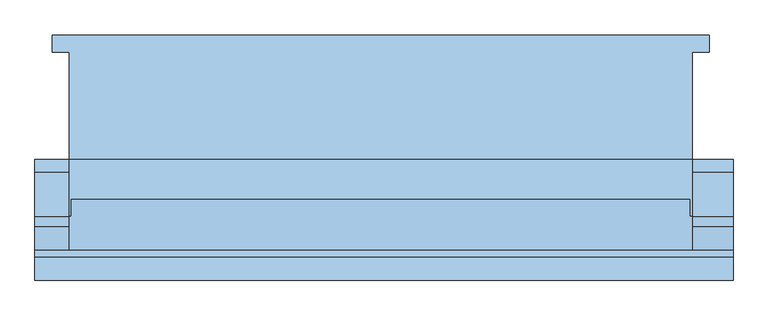
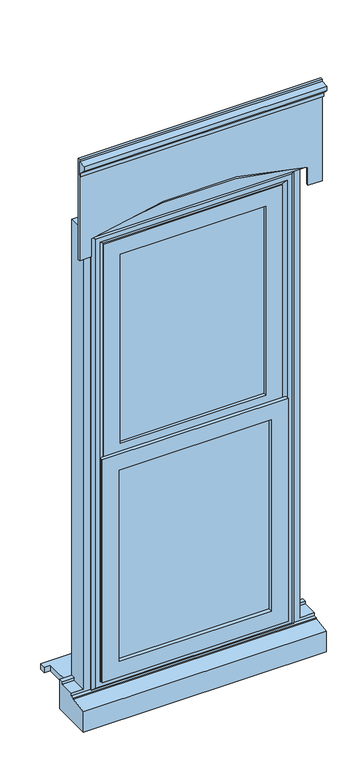
"""IFC4 building model written with IfcOpenShell, lengths in millimetres: window geometry."""

from ifc_helpers import new_model, si_unit, point, frame, frame_2d, origin, place, context, project, spatial, polyline, circle_curve, trimmed, segment, composite_curve, outline, extrude, faceted_brep, source, transform, mapped, element, save


def window_da0c3ed0(model_context):
    return source(origin(), model_context, "Body", "SolidModel", [
        extrude(outline(polyline([(-480.0, 161.5434322), (480.0, 161.5434322), (480.0, 136.5434322), (455.0, 136.5434322), (455.0, -20.4565678), (-455.0, -20.4565678), (-455.0, 136.5434322), (-480.0, 136.5434322), (-480.0, 161.5434322)])), frame((0.0, 0.0, 10.0), z_axis=(0.0, 0.0, 1.0), x_axis=(1.0, 0.0, 0.0)), (0.0, 0.0, 1.0), 25.0),
        faceted_brep([(-455.0, -20.4565678, 2110.0), (455.0, -20.4565678, 2110.0), (455.0, -20.4565678, 85.0), (515.0, -20.4565678, 85.0), (515.0, -20.4565678, -47.0), (-505.0, -20.4565678, -47.0), (-505.0, -20.4565678, 85.0), (-455.0, -20.4565678, 85.0), (-395.0, -20.4565678, 2050.0), (-395.0, -20.4565678, 85.0), (395.0, -20.4565678, 85.0), (395.0, -20.4565678, 2050.0), (-455.0, -38.4565678, 85.0), (-455.0, -38.4565678, 73.0), (-455.0, -103.4565678, 73.0), (-455.0, -103.4565678, 2110.0), (-505.0, -103.4565678, 73.0), (-505.0, -103.4565678, 61.0), (515.0, -103.4565678, 61.0), (515.0, -103.4565678, 73.0), (455.0, -103.4565678, 73.0), (455.0, -103.4565678, 2110.0), (-415.0, -103.4565678, 2070.0), (415.0, -103.4565678, 2070.0), (415.0, -103.4565678, 73.0), (-415.0, -103.4565678, 73.0), (-415.0, -38.4565678, 73.0), (-415.0, -38.4565678, 2070.0), (415.0, -38.4565678, 73.0), (415.0, -38.4565678, 2070.0), (-395.0, -38.4565678, 2050.0), (395.0, -38.4565678, 2050.0), (395.0, -38.4565678, 85.0), (-395.0, -38.4565678, 85.0), (-505.0, -38.4565678, 73.0), (-505.0, -38.4565678, 85.0), (515.0, -38.4565678, 85.0), (455.0, -38.4565678, 85.0), (455.0, -38.4565678, 73.0), (515.0, -38.4565678, 73.0), (515.0, -118.4565678, 59.68767), (515.0, -118.4565678, 54.7449676), (515.0, -190.9565678, 43.8088847), (515.0, -190.9565678, -47.0), (-505.0, -190.9565678, -47.0), (-505.0, -190.9565678, 43.8088847), (-505.0, -118.4565678, 54.7449676), (-505.0, -118.4565678, 59.68767)], [[[0, 1, 2, 3, 4, 5, 6, 7], [8, 9, 10, 11]], [[0, 7, 12, 13, 14, 15]], [[14, 16, 17, 18, 19, 20, 21, 15], [22, 23, 24, 25]], [[25, 26, 27, 22]], [[27, 26, 28, 29], [30, 31, 32, 33]], [[34, 13, 12, 35]], [[36, 37, 38, 39]], [[30, 33, 9, 8]], [[0, 15, 21, 1]], [[22, 27, 29, 23]], [[11, 31, 30, 8]], [[20, 38, 37, 2, 1, 21]], [[23, 29, 28, 24]], [[11, 10, 32, 31]], [[3, 36, 39, 19, 18, 40, 41, 42, 43, 4]], [[6, 5, 44, 45, 46, 47, 17, 16, 34, 35]], [[43, 44, 5, 4]], [[42, 45, 44, 43]], [[41, 46, 45, 42]], [[40, 47, 46, 41]], [[18, 17, 47, 40]], [[16, 14, 13, 34]], [[26, 25, 24, 28]], [[39, 38, 20, 19]], [[3, 2, 37, 36]], [[35, 12, 7, 6]], [[9, 33, 32, 10]]]),
        extrude(outline(polyline([(385.0, -67.4565678), (385.0, -91.4565678), (-385.0, -91.4565678), (-385.0, -67.4565678), (385.0, -67.4565678)])), frame((0.0, 0.0, 103.0), z_axis=(0.0, 0.0, 1.0), x_axis=(1.0, 0.0, 0.0)), (0.0, 0.0, 1.0), 1937.0),
        faceted_brep([(-425.0, -103.4565678, 2080.0), (-425.0, -103.4565678, 63.0), (-425.0, -111.7300705, 63.0), (-425.0, -111.7300705, 2080.0), (-415.0, -38.4565678, 2070.0), (-415.0, -38.4565678, 73.0), (-415.0, -103.4565678, 73.0), (-415.0, -103.4565678, 2070.0), (-375.0, -52.9494677, 2030.0), (-375.0, -52.9494677, 113.0), (-385.1480377, -38.4565678, 102.8519623), (-385.1480377, -38.4565678, 2040.1480377), (-375.0, -67.4565678, 2030.0), (-375.0, -67.4565678, 113.0), (-385.0, -91.4565678, 2040.0), (-385.0, -91.4565678, 103.0), (-385.0, -67.4565678, 103.0), (-385.0, -67.4565678, 2040.0), (-375.0, -109.2300705, 2030.0), (-375.0, -109.2300705, 113.0), (-375.0, -91.4565678, 113.0), (-375.0, -91.4565678, 2030.0), (-392.4457548, -120.0035732, 2047.4457548), (-392.4457548, -120.0035732, 95.5542452), (-414.2153903, -120.0035732, 73.7846097), (-414.2153903, -120.0035732, 2069.2153903), (425.0, -103.4565678, 63.0), (425.0, -111.7300705, 63.0), (415.0, -38.4565678, 73.0), (415.0, -103.4565678, 73.0), (375.0, -52.9494677, 113.0), (385.1480377, -38.4565678, 102.8519623), (375.0, -67.4565678, 113.0), (385.0, -91.4565678, 103.0), (385.0, -67.4565678, 103.0), (375.0, -109.2300705, 113.0), (375.0, -91.4565678, 113.0), (392.4457548, -120.0035732, 95.5542452), (414.2153903, -120.0035732, 73.7846097), (425.0, -103.4565678, 2080.0), (425.0, -111.7300705, 2080.0), (415.0, -38.4565678, 2070.0), (415.0, -103.4565678, 2070.0), (375.0, -52.9494677, 2030.0), (385.1480377, -38.4565678, 2040.1480377), (375.0, -67.4565678, 2030.0), (385.0, -91.4565678, 2040.0), (385.0, -67.4565678, 2040.0), (375.0, -109.2300705, 2030.0), (375.0, -91.4565678, 2030.0), (392.4457548, -120.0035732, 2047.4457548), (414.2153903, -120.0035732, 2069.2153903)], [[[0, 1, 2, 3]], [[4, 5, 6, 7]], [[8, 9, 10, 11]], [[12, 13, 9, 8]], [[14, 15, 16, 17]], [[18, 19, 20, 21]], [[22, 23, 19, 18]], [[3, 2, 24, 25]], [[1, 26, 27, 2]], [[5, 28, 29, 6]], [[9, 30, 31, 10]], [[13, 32, 30, 9]], [[15, 33, 34, 16]], [[19, 35, 36, 20]], [[23, 37, 35, 19]], [[2, 27, 38, 24]], [[26, 39, 40, 27]], [[28, 41, 42, 29]], [[30, 43, 44, 31]], [[32, 45, 43, 30]], [[33, 46, 47, 34]], [[35, 48, 49, 36]], [[37, 50, 48, 35]], [[27, 40, 51, 38]], [[39, 0, 3, 40]], [[1, 0, 39, 26], [7, 6, 29, 42]], [[41, 4, 7, 42]], [[5, 4, 41, 28], [11, 10, 31, 44]], [[43, 8, 11, 44]], [[45, 12, 8, 43]], [[17, 16, 34, 47], [13, 12, 45, 32]], [[46, 14, 17, 47]], [[15, 14, 46, 33], [21, 20, 36, 49]], [[48, 18, 21, 49]], [[50, 22, 18, 48]], [[25, 24, 38, 51], [23, 22, 50, 37]], [[40, 3, 25, 51]]]),
        extrude(outline(polyline([(1086.5, -390.0), (95.800695, -390.0), (95.800695, 390.0), (1086.5, 390.0), (1086.5, -390.0)]), holes=[polyline([(165.800695, -320.0), (1016.5, -320.0), (1016.5, 320.0), (165.800695, 320.0), (165.800695, -320.0)])]), frame((0.0, -130.9565678, 0.0), z_axis=(0.0, 1.0, 0.0), x_axis=(0.0, 0.0, 1.0)), (0.0, 0.0, 1.0), 15.9529946),
        extrude(outline(polyline([(-163.1390049, 2410.0), (-173.1390049, 2410.0), (-173.1390049, 2425.0), (-197.8877422, 2449.7487373), (-197.8877422, 2470.0), (-163.1390049, 2470.0), (-163.1390049, 2410.0)])), frame((-505.0, 0.0, 0.0), z_axis=(1.0, 0.0, 0.0), x_axis=(0.0, 1.0, 0.0)), (0.0, 0.0, 1.0), 1020.0),
        extrude(outline(composite_curve([segment(polyline([(2110.0, -455.0), (2110.0, 455.0)]), True, "CONTINUOUS"), segment(trimmed(circle_curve(frame_2d((380.6732354, 0.0)), 1788.1823338), [point((2110.0, 455.0))], [point((2110.0, -455.0))], False, "CARTESIAN"), True, "CONTINUOUS")], self_intersect=False)), frame((0.0, -159.6629421, 0.0), z_axis=(0.0, 1.0, 0.0), x_axis=(0.0, 0.0, 1.0)), (0.0, 0.0, 1.0), 80.3363325),
        extrude(outline(composite_curve([segment(polyline([(2030.0, 515.0), (2480.0, 515.0), (2480.0, -505.0), (2030.0, -505.0), (2030.0, -455.0), (2110.0, -455.0)]), True, "CONTINUOUS"), segment(trimmed(circle_curve(frame_2d((680.6732354, 0.0)), 1500.0), [point((2110.0, -455.0))], [point((2110.0, 455.0))], True, "CARTESIAN"), True, "CONTINUOUS"), segment(polyline([(2110.0, 455.0), (2030.0, 455.0), (2030.0, 515.0)]), True, "CONTINUOUS")], self_intersect=False)), frame((0.0, -163.1390049, 0.0), z_axis=(0.0, 1.0, 0.0), x_axis=(0.0, 0.0, 1.0)), (0.0, 0.0, 1.0), 9.682437),
        extrude(outline(polyline([(2030.0, -375.0), (1051.5, -375.0), (1051.5, 375.0), (2030.0, 375.0), (2030.0, -375.0)]), holes=[polyline([(1120.7960231, -305.7039769), (1960.7039769, -305.7039769), (1960.7039769, 305.7039769), (1120.7960231, 305.7039769), (1120.7960231, -305.7039769)])]), frame((0.0, -115.0035732, 0.0), z_axis=(0.0, 1.0, 0.0), x_axis=(0.0, 0.0, 1.0)), (0.0, 0.0, 1.0), 11.5470054),
    ])


if __name__ == "__main__":
    model = new_model("IFC4")
    model_context = context("Model", 3, world=origin())
    ifc_project = project(units=[si_unit("LENGTHUNIT", "METRE", prefix="MILLI")], contexts=[model_context])
    site = spatial("IfcSite", under=ifc_project)
    building = spatial("IfcBuilding", under=site)
    placement = place(None, origin())
    window_shape = window_da0c3ed0(model_context)
    element("IfcWindow", 1, at=placement, inside=building, context=model_context, shape_type="MappedRepresentation", body=[
        mapped(window_shape, transform((0.0, 0.0, 0.0), x_axis=(1.0, 0.0, 0.0), y_axis=(0.0, 1.0, 0.0), z_axis=(0.0, 0.0, 1.0))),
    ])
    save(model, "model.ifc")
